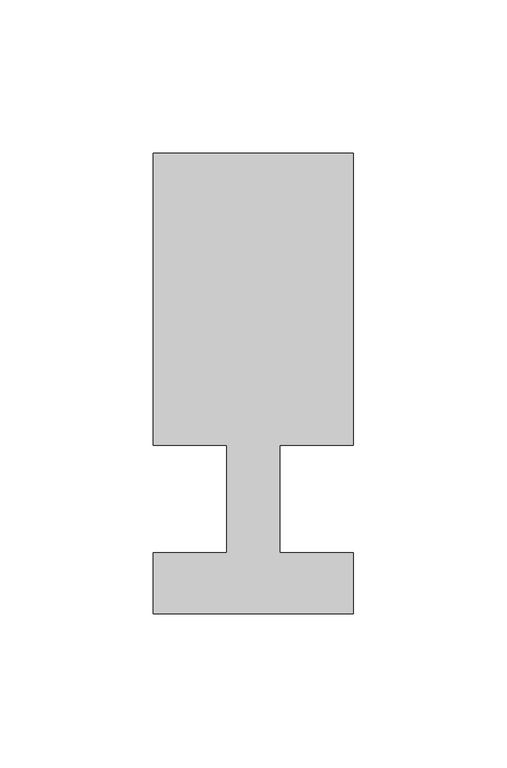
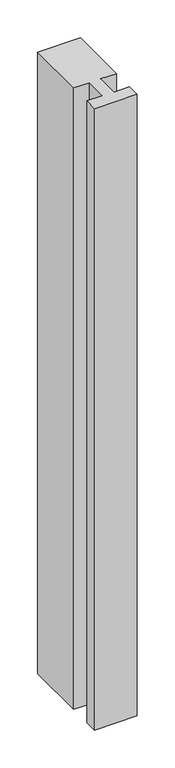
"""IFC4 building model written with IfcOpenShell, lengths in millimetres: member geometry."""

from ifc_helpers import new_model, si_unit, frame, origin, place, context, project, spatial, polyline, outline, extrude, source, transform, mapped, element, save


def member_8f93ae28(model_context):
    return source(origin(), model_context, "Body", "SweptSolid", [
        extrude(outline(polyline([(-65.0, -37.0), (-65.0, -17.0), (-41.1875, -17.0), (-41.1875, 18.0), (-65.0, 18.0), (-65.0, 113.0), (0.0, 113.0), (0.0, 18.0), (-23.8125, 18.0), (-23.8125, -17.0), (0.0, -17.0), (0.0, -37.0), (-65.0, -37.0)])), frame((0.0, 0.0, -1000.8839286), z_axis=(0.0, 0.0, 1.0), x_axis=(1.0, 0.0, 0.0)), (0.0, 0.0, 1.0), 1000.8839286),
    ])


if __name__ == "__main__":
    model = new_model("IFC4")
    model_context = context("Model", 3, world=origin())
    ifc_project = project(units=[si_unit("LENGTHUNIT", "METRE", prefix="MILLI")], contexts=[model_context])
    site = spatial("IfcSite", under=ifc_project)
    building = spatial("IfcBuilding", under=site)
    placement = place(None, origin())
    member_shape = member_8f93ae28(model_context)
    element("IfcMember", 1, at=placement, inside=building, context=model_context, shape_type="MappedRepresentation", body=[
        mapped(member_shape, transform((0.0, 0.0, 0.0), x_axis=(1.0, 0.0, 0.0), y_axis=(0.0, 1.0, 0.0), z_axis=(0.0, 0.0, 1.0))),
    ])
    save(model, "model.ifc")
